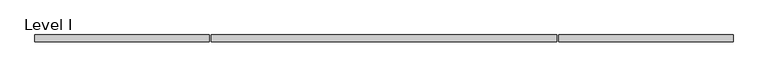
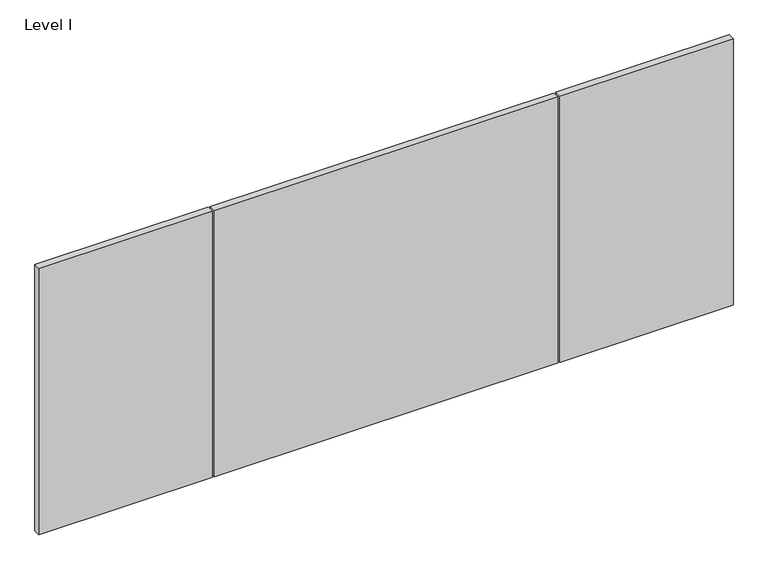
"""IFC4 building model written with IfcOpenShell, lengths in millimetres: proxy geometry, Level I."""

from ifc_helpers import new_model, si_unit, frame, origin, place, context, project, spatial, polyline, outline, extrude, source, transform, mapped, element, save


def level_i_a92b6f2e(model_context):
    return source(origin(), model_context, "Body", "SweptSolid", [
        extrude(outline(polyline([(-998.8407125, -9.525), (-998.8407125, 9.525), (-500.0498, 9.525), (-500.0498, -9.525), (-998.8407125, -9.525)])), frame((0.0, 0.0, 3.175), z_axis=(0.0, 0.0, 1.0), x_axis=(1.0, 0.0, 0.0)), (0.0, 0.0, 1.0), 810.768),
        extrude(outline(polyline([(998.8407125, 9.525), (998.8407125, -9.525), (500.0498, -9.525), (500.0498, 9.525), (998.8407125, 9.525)])), frame((0.0, 0.0, 3.175), z_axis=(0.0, 0.0, 1.0), x_axis=(1.0, 0.0, 0.0)), (0.0, 0.0, 1.0), 810.768),
        extrude(outline(polyline([(493.6998, -9.525), (-493.6998, -9.525), (-493.6998, 9.525), (493.6998, 9.525), (493.6998, -9.525)])), frame((0.0, 0.0, 3.175), z_axis=(0.0, 0.0, 1.0), x_axis=(1.0, 0.0, 0.0)), (0.0, 0.0, 1.0), 810.768),
    ])


if __name__ == "__main__":
    model = new_model("IFC4")
    model_context = context("Model", 3, world=origin())
    ifc_project = project(units=[si_unit("LENGTHUNIT", "METRE", prefix="MILLI")], contexts=[model_context])
    site = spatial("IfcSite", under=ifc_project)
    building = spatial("IfcBuilding", under=site)
    placement = place(None, origin())
    level_i_shape = level_i_a92b6f2e(model_context)
    element("IfcBuildingElementProxy", 1, Name="Level I", ObjectType="Level I", at=placement, inside=building, context=model_context, shape_type="MappedRepresentation", body=[
        mapped(level_i_shape, transform((0.0, 0.0, 0.0), x_axis=(1.0, 0.0, 0.0), y_axis=(0.0, 1.0, 0.0), z_axis=(0.0, 0.0, 1.0))),
    ])
    save(model, "model.ifc")
